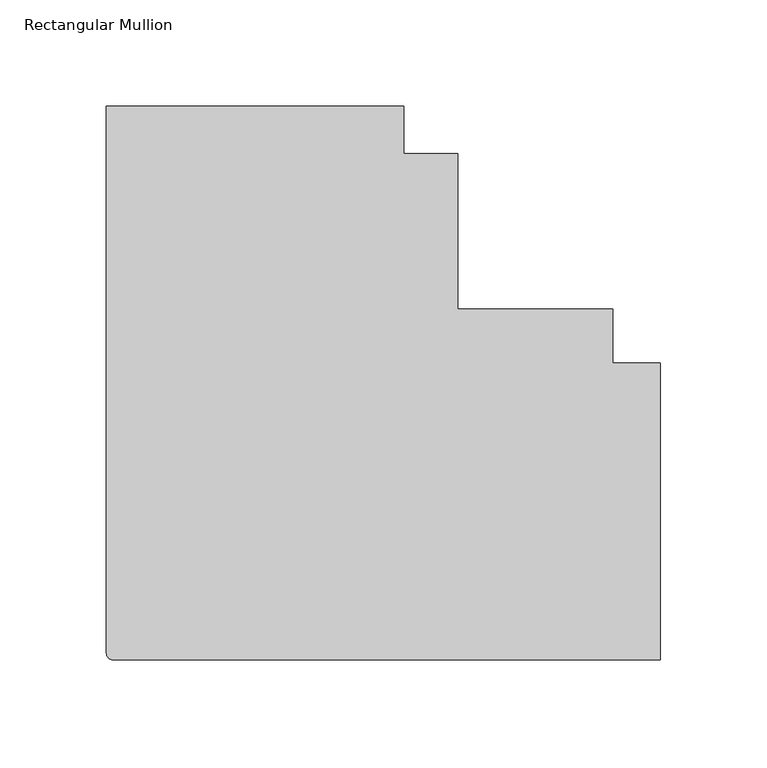
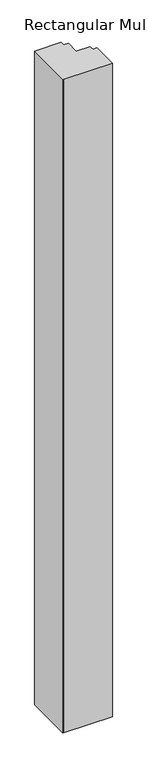
"""IFC4 building model written with IfcOpenShell, lengths in millimetres: member geometry, Rectangular Mullion."""

from ifc_helpers import new_model, si_unit, point, frame, frame_2d, origin, place, context, project, spatial, polyline, circle_curve, trimmed, segment, composite_curve, outline, extrude, source, transform, mapped, element, save


def rectangular_mullion_23658e44(model_context):
    return source(origin(), model_context, "Body", "SweptSolid", [
        extrude(outline(composite_curve([segment(polyline([(0.0, -260.35), (-257.175, -260.35)]), True, "CONTINUOUS"), segment(trimmed(circle_curve(frame_2d((-257.175, -257.175)), 3.175), [point((-257.175, -260.35))], [point((-260.35, -257.175))], False, "CARTESIAN"), True, "CONTINUOUS"), segment(polyline([(-260.35, -257.175), (-260.35, 0.0), (-120.6499944, 0.0), (-120.6499944, -22.2248868), (-95.25, -22.2248868), (-95.25, -95.25), (-22.2248868, -95.25), (-22.2248868, -120.6499944), (0.0, -120.6499944), (0.0, -260.35)]), True, "CONTINUOUS")], self_intersect=False)), frame((0.0, 0.0, -3657.6), z_axis=(0.0, 0.0, 1.0), x_axis=(1.0, 0.0, 0.0)), (0.0, 0.0, 1.0), 3657.6),
    ])


if __name__ == "__main__":
    model = new_model("IFC4")
    model_context = context("Model", 3, world=origin())
    ifc_project = project(units=[si_unit("LENGTHUNIT", "METRE", prefix="MILLI")], contexts=[model_context])
    site = spatial("IfcSite", under=ifc_project)
    building = spatial("IfcBuilding", under=site)
    placement = place(None, origin())
    rectangular_mullion_shape = rectangular_mullion_23658e44(model_context)
    element("IfcMember", 1, ObjectType="Rectangular Mullion", at=placement, inside=building, context=model_context, shape_type="MappedRepresentation", body=[
        mapped(rectangular_mullion_shape, transform((0.0, 0.0, 0.0), x_axis=(1.0, 0.0, 0.0), y_axis=(0.0, 1.0, 0.0), z_axis=(0.0, 0.0, 1.0))),
    ])
    save(model, "model.ifc")
